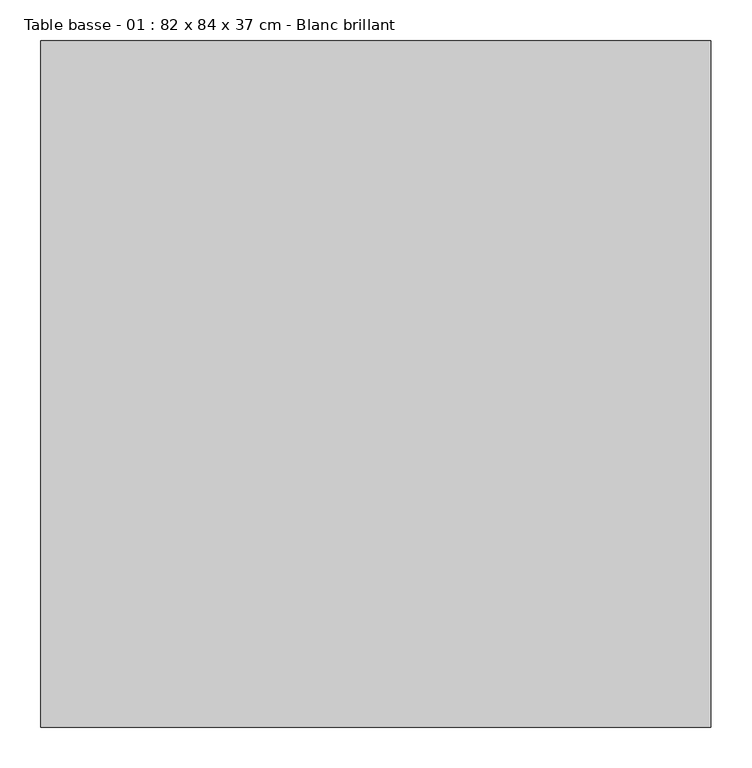
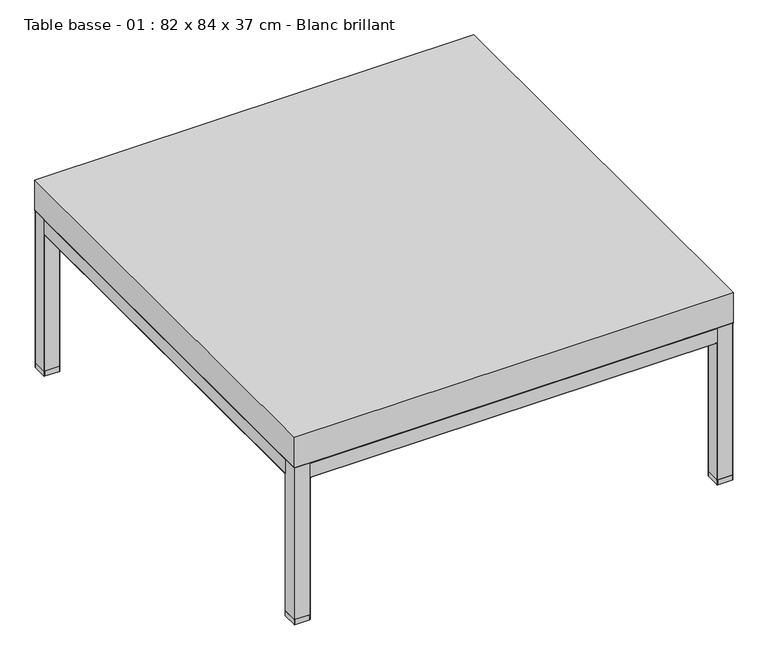
"""IFC4 building model written with IfcOpenShell, lengths in millimetres: furniture geometry, Table basse - 01 : 82 x 84 x 37 cm - Blanc brillant."""

from ifc_helpers import new_model, si_unit, point, frame, frame_2d, origin, origin_with_axes, place, context, project, spatial, polyline, circle_curve, trimmed, segment, composite_curve, outline, extrude, source, transform, mapped, element, save


def table_basse_01_82_x_84_x_37_cm_blanc_brillant_a15ed922(model_context):
    return source(origin(), model_context, "Body", "SweptSolid", [
        extrude(outline(composite_curve([segment(trimmed(circle_curve(frame_2d((-391.0, 309.0)), 1.0), [point((-391.0, 310.0))], [point((-390.0, 309.0))], False, "CARTESIAN"), True, "CONTINUOUS"), segment(polyline([(-390.0, 309.0), (-390.0, 281.0)]), True, "CONTINUOUS"), segment(trimmed(circle_curve(frame_2d((-391.0, 281.0)), 1.0), [point((-390.0, 281.0))], [point((-391.0, 280.0))], False, "CARTESIAN"), True, "CONTINUOUS"), segment(polyline([(-391.0, 280.0), (-419.0, 280.0)]), True, "CONTINUOUS"), segment(trimmed(circle_curve(frame_2d((-419.0, 281.0)), 1.0), [point((-419.0, 280.0))], [point((-420.0, 281.0))], False, "CARTESIAN"), True, "CONTINUOUS"), segment(polyline([(-420.0, 281.0), (-420.0, 309.0)]), True, "CONTINUOUS"), segment(trimmed(circle_curve(frame_2d((-419.0, 309.0)), 1.0), [point((-420.0, 309.0))], [point((-419.0, 310.0))], False, "CARTESIAN"), True, "CONTINUOUS"), segment(polyline([(-419.0, 310.0), (-391.0, 310.0)]), True, "CONTINUOUS")], self_intersect=False)), frame((-380.0, 0.0, 0.0), z_axis=(1.0, 0.0, 0.0), x_axis=(0.0, 1.0, 0.0)), (0.0, 0.0, 1.0), 760.0),
        extrude(outline(composite_curve([segment(trimmed(circle_curve(frame_2d((419.0, 309.0)), 1.0), [point((419.0, 310.0))], [point((420.0, 309.0))], False, "CARTESIAN"), True, "CONTINUOUS"), segment(polyline([(420.0, 309.0), (420.0, 281.0)]), True, "CONTINUOUS"), segment(trimmed(circle_curve(frame_2d((419.0, 281.0)), 1.0), [point((420.0, 281.0))], [point((419.0, 280.0))], False, "CARTESIAN"), True, "CONTINUOUS"), segment(polyline([(419.0, 280.0), (391.0, 280.0)]), True, "CONTINUOUS"), segment(trimmed(circle_curve(frame_2d((391.0, 281.0)), 1.0), [point((391.0, 280.0))], [point((390.0, 281.0))], False, "CARTESIAN"), True, "CONTINUOUS"), segment(polyline([(390.0, 281.0), (390.0, 309.0)]), True, "CONTINUOUS"), segment(trimmed(circle_curve(frame_2d((391.0, 309.0)), 1.0), [point((390.0, 309.0))], [point((391.0, 310.0))], False, "CARTESIAN"), True, "CONTINUOUS"), segment(polyline([(391.0, 310.0), (419.0, 310.0)]), True, "CONTINUOUS")], self_intersect=False)), frame((-380.0, 0.0, 0.0), z_axis=(1.0, 0.0, 0.0), x_axis=(0.0, 1.0, 0.0)), (0.0, 0.0, 1.0), 760.0),
        extrude(outline(composite_curve([segment(trimmed(circle_curve(frame_2d((281.0, -381.0)), 1.0), [point((280.0, -381.0))], [point((281.0, -380.0))], False, "CARTESIAN"), True, "CONTINUOUS"), segment(polyline([(281.0, -380.0), (309.0, -380.0)]), True, "CONTINUOUS"), segment(trimmed(circle_curve(frame_2d((309.0, -381.0)), 1.0), [point((309.0, -380.0))], [point((310.0, -381.0))], False, "CARTESIAN"), True, "CONTINUOUS"), segment(polyline([(310.0, -381.0), (310.0, -409.0)]), True, "CONTINUOUS"), segment(trimmed(circle_curve(frame_2d((309.0, -409.0)), 1.0), [point((310.0, -409.0))], [point((309.0, -410.0))], False, "CARTESIAN"), True, "CONTINUOUS"), segment(polyline([(309.0, -410.0), (281.0, -410.0)]), True, "CONTINUOUS"), segment(trimmed(circle_curve(frame_2d((281.0, -409.0)), 1.0), [point((281.0, -410.0))], [point((280.0, -409.0))], False, "CARTESIAN"), True, "CONTINUOUS"), segment(polyline([(280.0, -409.0), (280.0, -381.0)]), True, "CONTINUOUS")], self_intersect=False)), frame((0.0, -390.0, 0.0), z_axis=(0.0, 1.0, 0.0), x_axis=(0.0, 0.0, 1.0)), (0.0, 0.0, 1.0), 780.0),
        extrude(outline(composite_curve([segment(trimmed(circle_curve(frame_2d((281.0, 409.0)), 1.0), [point((280.0, 409.0))], [point((281.0, 410.0))], False, "CARTESIAN"), True, "CONTINUOUS"), segment(polyline([(281.0, 410.0), (309.0, 410.0)]), True, "CONTINUOUS"), segment(trimmed(circle_curve(frame_2d((309.0, 409.0)), 1.0), [point((309.0, 410.0))], [point((310.0, 409.0))], False, "CARTESIAN"), True, "CONTINUOUS"), segment(polyline([(310.0, 409.0), (310.0, 381.0)]), True, "CONTINUOUS"), segment(trimmed(circle_curve(frame_2d((309.0, 381.0)), 1.0), [point((310.0, 381.0))], [point((309.0, 380.0))], False, "CARTESIAN"), True, "CONTINUOUS"), segment(polyline([(309.0, 380.0), (281.0, 380.0)]), True, "CONTINUOUS"), segment(trimmed(circle_curve(frame_2d((281.0, 381.0)), 1.0), [point((281.0, 380.0))], [point((280.0, 381.0))], False, "CARTESIAN"), True, "CONTINUOUS"), segment(polyline([(280.0, 381.0), (280.0, 409.0)]), True, "CONTINUOUS")], self_intersect=False)), frame((0.0, -390.0, 0.0), z_axis=(0.0, 1.0, 0.0), x_axis=(0.0, 0.0, 1.0)), (0.0, 0.0, 1.0), 780.0),
        extrude(outline(composite_curve([segment(trimmed(circle_curve(frame_2d((-381.0, 419.0)), 1.0), [point((-381.0, 420.0))], [point((-380.0, 419.0))], False, "CARTESIAN"), True, "CONTINUOUS"), segment(polyline([(-380.0, 419.0), (-380.0, 391.0)]), True, "CONTINUOUS"), segment(trimmed(circle_curve(frame_2d((-381.0, 391.0)), 1.0), [point((-380.0, 391.0))], [point((-381.0, 390.0))], False, "CARTESIAN"), True, "CONTINUOUS"), segment(polyline([(-381.0, 390.0), (-409.0, 390.0)]), True, "CONTINUOUS"), segment(trimmed(circle_curve(frame_2d((-409.0, 391.0)), 1.0), [point((-409.0, 390.0))], [point((-410.0, 391.0))], False, "CARTESIAN"), True, "CONTINUOUS"), segment(polyline([(-410.0, 391.0), (-410.0, 419.0)]), True, "CONTINUOUS"), segment(trimmed(circle_curve(frame_2d((-409.0, 419.0)), 1.0), [point((-410.0, 419.0))], [point((-409.0, 420.0))], False, "CARTESIAN"), True, "CONTINUOUS"), segment(polyline([(-409.0, 420.0), (-381.0, 420.0)]), True, "CONTINUOUS")], self_intersect=False)), frame((0.0, 0.0, 10.0), z_axis=(0.0, 0.0, 1.0), x_axis=(1.0, 0.0, 0.0)), (0.0, 0.0, 1.0), 300.0),
        extrude(outline(composite_curve([segment(trimmed(circle_curve(frame_2d((409.0, 419.0)), 1.0), [point((409.0, 420.0))], [point((410.0, 419.0))], False, "CARTESIAN"), True, "CONTINUOUS"), segment(polyline([(410.0, 419.0), (410.0, 391.0)]), True, "CONTINUOUS"), segment(trimmed(circle_curve(frame_2d((409.0, 391.0)), 1.0), [point((410.0, 391.0))], [point((409.0, 390.0))], False, "CARTESIAN"), True, "CONTINUOUS"), segment(polyline([(409.0, 390.0), (381.0, 390.0)]), True, "CONTINUOUS"), segment(trimmed(circle_curve(frame_2d((381.0, 391.0)), 1.0), [point((381.0, 390.0))], [point((380.0, 391.0))], False, "CARTESIAN"), True, "CONTINUOUS"), segment(polyline([(380.0, 391.0), (380.0, 419.0)]), True, "CONTINUOUS"), segment(trimmed(circle_curve(frame_2d((381.0, 419.0)), 1.0), [point((380.0, 419.0))], [point((381.0, 420.0))], False, "CARTESIAN"), True, "CONTINUOUS"), segment(polyline([(381.0, 420.0), (409.0, 420.0)]), True, "CONTINUOUS")], self_intersect=False)), frame((0.0, 0.0, 10.0), z_axis=(0.0, 0.0, 1.0), x_axis=(1.0, 0.0, 0.0)), (0.0, 0.0, 1.0), 300.0),
        extrude(outline(composite_curve([segment(trimmed(circle_curve(frame_2d((409.0, -391.0)), 1.0), [point((409.0, -390.0))], [point((410.0, -391.0))], False, "CARTESIAN"), True, "CONTINUOUS"), segment(polyline([(410.0, -391.0), (410.0, -419.0)]), True, "CONTINUOUS"), segment(trimmed(circle_curve(frame_2d((409.0, -419.0)), 1.0), [point((410.0, -419.0))], [point((409.0, -420.0))], False, "CARTESIAN"), True, "CONTINUOUS"), segment(polyline([(409.0, -420.0), (381.0, -420.0)]), True, "CONTINUOUS"), segment(trimmed(circle_curve(frame_2d((381.0, -419.0)), 1.0), [point((381.0, -420.0))], [point((380.0, -419.0))], False, "CARTESIAN"), True, "CONTINUOUS"), segment(polyline([(380.0, -419.0), (380.0, -391.0)]), True, "CONTINUOUS"), segment(trimmed(circle_curve(frame_2d((381.0, -391.0)), 1.0), [point((380.0, -391.0))], [point((381.0, -390.0))], False, "CARTESIAN"), True, "CONTINUOUS"), segment(polyline([(381.0, -390.0), (409.0, -390.0)]), True, "CONTINUOUS")], self_intersect=False)), frame((0.0, 0.0, 10.0), z_axis=(0.0, 0.0, 1.0), x_axis=(1.0, 0.0, 0.0)), (0.0, 0.0, 1.0), 300.0),
        extrude(outline(composite_curve([segment(trimmed(circle_curve(frame_2d((-381.0, -391.0)), 1.0), [point((-381.0, -390.0))], [point((-380.0, -391.0))], False, "CARTESIAN"), True, "CONTINUOUS"), segment(polyline([(-380.0, -391.0), (-380.0, -419.0)]), True, "CONTINUOUS"), segment(trimmed(circle_curve(frame_2d((-381.0, -419.0)), 1.0), [point((-380.0, -419.0))], [point((-381.0, -420.0))], False, "CARTESIAN"), True, "CONTINUOUS"), segment(polyline([(-381.0, -420.0), (-409.0, -420.0)]), True, "CONTINUOUS"), segment(trimmed(circle_curve(frame_2d((-409.0, -419.0)), 1.0), [point((-409.0, -420.0))], [point((-410.0, -419.0))], False, "CARTESIAN"), True, "CONTINUOUS"), segment(polyline([(-410.0, -419.0), (-410.0, -391.0)]), True, "CONTINUOUS"), segment(trimmed(circle_curve(frame_2d((-409.0, -391.0)), 1.0), [point((-410.0, -391.0))], [point((-409.0, -390.0))], False, "CARTESIAN"), True, "CONTINUOUS"), segment(polyline([(-409.0, -390.0), (-381.0, -390.0)]), True, "CONTINUOUS")], self_intersect=False)), frame((0.0, 0.0, 10.0), z_axis=(0.0, 0.0, 1.0), x_axis=(1.0, 0.0, 0.0)), (0.0, 0.0, 1.0), 300.0),
        extrude(outline(composite_curve([segment(polyline([(-381.0, -420.0), (-409.0, -420.0)]), True, "CONTINUOUS"), segment(trimmed(circle_curve(frame_2d((-409.0, -419.0)), 1.0), [point((-409.0, -420.0))], [point((-410.0, -419.0))], False, "CARTESIAN"), True, "CONTINUOUS"), segment(polyline([(-410.0, -419.0), (-410.0, -391.0)]), True, "CONTINUOUS"), segment(trimmed(circle_curve(frame_2d((-409.0, -391.0)), 1.0), [point((-410.0, -391.0))], [point((-409.0, -390.0))], False, "CARTESIAN"), True, "CONTINUOUS"), segment(polyline([(-409.0, -390.0), (-381.0, -390.0)]), True, "CONTINUOUS"), segment(trimmed(circle_curve(frame_2d((-381.0, -391.0)), 1.0), [point((-381.0, -390.0))], [point((-380.0, -391.0))], False, "CARTESIAN"), True, "CONTINUOUS"), segment(polyline([(-380.0, -391.0), (-380.0, -419.0)]), True, "CONTINUOUS"), segment(trimmed(circle_curve(frame_2d((-381.0, -419.0)), 1.0), [point((-380.0, -419.0))], [point((-381.0, -420.0))], False, "CARTESIAN"), True, "CONTINUOUS")], self_intersect=False)), origin_with_axes(), (0.0, 0.0, 1.0), 10.0),
        extrude(outline(composite_curve([segment(polyline([(-381.0, 390.0), (-409.0, 390.0)]), True, "CONTINUOUS"), segment(trimmed(circle_curve(frame_2d((-409.0, 391.0)), 1.0), [point((-409.0, 390.0))], [point((-410.0, 391.0))], False, "CARTESIAN"), True, "CONTINUOUS"), segment(polyline([(-410.0, 391.0), (-410.0, 419.0)]), True, "CONTINUOUS"), segment(trimmed(circle_curve(frame_2d((-409.0, 419.0)), 1.0), [point((-410.0, 419.0))], [point((-409.0, 420.0))], False, "CARTESIAN"), True, "CONTINUOUS"), segment(polyline([(-409.0, 420.0), (-381.0, 420.0)]), True, "CONTINUOUS"), segment(trimmed(circle_curve(frame_2d((-381.0, 419.0)), 1.0), [point((-381.0, 420.0))], [point((-380.0, 419.0))], False, "CARTESIAN"), True, "CONTINUOUS"), segment(polyline([(-380.0, 419.0), (-380.0, 391.0)]), True, "CONTINUOUS"), segment(trimmed(circle_curve(frame_2d((-381.0, 391.0)), 1.0), [point((-380.0, 391.0))], [point((-381.0, 390.0))], False, "CARTESIAN"), True, "CONTINUOUS")], self_intersect=False)), origin_with_axes(), (0.0, 0.0, 1.0), 10.0),
        extrude(outline(composite_curve([segment(polyline([(409.0, 390.0), (381.0, 390.0)]), True, "CONTINUOUS"), segment(trimmed(circle_curve(frame_2d((381.0, 391.0)), 1.0), [point((381.0, 390.0))], [point((380.0, 391.0))], False, "CARTESIAN"), True, "CONTINUOUS"), segment(polyline([(380.0, 391.0), (380.0, 419.0)]), True, "CONTINUOUS"), segment(trimmed(circle_curve(frame_2d((381.0, 419.0)), 1.0), [point((380.0, 419.0))], [point((381.0, 420.0))], False, "CARTESIAN"), True, "CONTINUOUS"), segment(polyline([(381.0, 420.0), (409.0, 420.0)]), True, "CONTINUOUS"), segment(trimmed(circle_curve(frame_2d((409.0, 419.0)), 1.0), [point((409.0, 420.0))], [point((410.0, 419.0))], False, "CARTESIAN"), True, "CONTINUOUS"), segment(polyline([(410.0, 419.0), (410.0, 391.0)]), True, "CONTINUOUS"), segment(trimmed(circle_curve(frame_2d((409.0, 391.0)), 1.0), [point((410.0, 391.0))], [point((409.0, 390.0))], False, "CARTESIAN"), True, "CONTINUOUS")], self_intersect=False)), origin_with_axes(), (0.0, 0.0, 1.0), 10.0),
        extrude(outline(composite_curve([segment(trimmed(circle_curve(frame_2d((409.0, -391.0)), 1.0), [point((409.0, -390.0))], [point((410.0, -391.0))], False, "CARTESIAN"), True, "CONTINUOUS"), segment(polyline([(410.0, -391.0), (410.0, -419.0)]), True, "CONTINUOUS"), segment(trimmed(circle_curve(frame_2d((409.0, -419.0)), 1.0), [point((410.0, -419.0))], [point((409.0, -420.0))], False, "CARTESIAN"), True, "CONTINUOUS"), segment(polyline([(409.0, -420.0), (381.0, -420.0)]), True, "CONTINUOUS"), segment(trimmed(circle_curve(frame_2d((381.0, -419.0)), 1.0), [point((381.0, -420.0))], [point((380.0, -419.0))], False, "CARTESIAN"), True, "CONTINUOUS"), segment(polyline([(380.0, -419.0), (380.0, -391.0)]), True, "CONTINUOUS"), segment(trimmed(circle_curve(frame_2d((381.0, -391.0)), 1.0), [point((380.0, -391.0))], [point((381.0, -390.0))], False, "CARTESIAN"), True, "CONTINUOUS"), segment(polyline([(381.0, -390.0), (409.0, -390.0)]), True, "CONTINUOUS")], self_intersect=False)), origin_with_axes(), (0.0, 0.0, 1.0), 10.0),
        extrude(outline(polyline([(410.0, 420.0), (410.0, -420.0), (-410.0, -420.0), (-410.0, 420.0), (410.0, 420.0)])), frame((0.0, 0.0, 310.0), z_axis=(0.0, 0.0, 1.0), x_axis=(1.0, 0.0, 0.0)), (0.0, 0.0, 1.0), 60.0),
    ])


if __name__ == "__main__":
    model = new_model("IFC4")
    model_context = context("Model", 3, world=origin())
    ifc_project = project(units=[si_unit("LENGTHUNIT", "METRE", prefix="MILLI")], contexts=[model_context])
    site = spatial("IfcSite", under=ifc_project)
    building = spatial("IfcBuilding", under=site)
    placement = place(None, origin())
    table_basse_01_82_x_84_x_37_cm_blanc_brillant_shape = table_basse_01_82_x_84_x_37_cm_blanc_brillant_a15ed922(model_context)
    element("IfcFurniture", 1, ObjectType="Table basse - 01 : 82 x 84 x 37 cm - Blanc brillant", at=placement, inside=building, context=model_context, shape_type="MappedRepresentation", body=[
        mapped(table_basse_01_82_x_84_x_37_cm_blanc_brillant_shape, transform((0.0, 0.0, 0.0), x_axis=(1.0, 0.0, 0.0), y_axis=(0.0, 1.0, 0.0), z_axis=(0.0, 0.0, 1.0))),
    ])
    save(model, "model.ifc")
